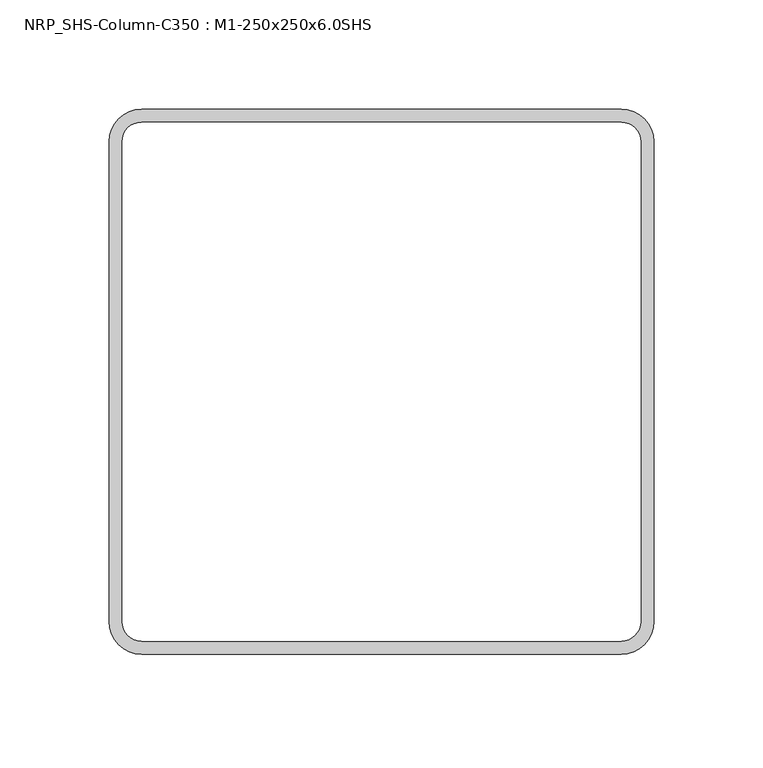
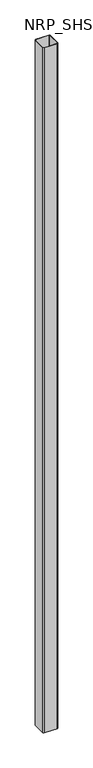
"""IFC4 building model written with IfcOpenShell, lengths in millimetres: column geometry, NRP_SHS-Column-C350 : M1-250x250x6.0SHS."""

import ifcopenshell
import ifcopenshell.guid

model = None  # the IFC model being written
_history = None  # IfcOwnerHistory: only IFC2X3 demands one
_inside = {}  # id of a spatial element -> (the spatial element, [elements in it])
_under = {}  # id of a project, library or spatial element -> (it, [spatial elements below it])
_declared = {}  # id of a project -> (the project, [libraries it declares])
_typed = {}  # id of a type object -> (the type object, [elements of that type])
_made_of = {}  # id of a material, layer set ... -> (it, [elements and type objects made of it])


def new_model(schema):
    """Start an empty IFC model of exactly this schema.

    Asked for "IFC4X3", IfcOpenShell would pick the latest addendum, in which some entities
    have other attributes; the version numbers below select the first issue.
    IFC2X3 requires an IfcOwnerHistory on every rooted entity: one is made here for all.
    """
    global model, _history
    if schema == "IFC4X3":
        model = ifcopenshell.file(schema_version=(4, 3, 0, 0))
    else:
        model = ifcopenshell.file(schema=schema)
    _inside.clear()
    _under.clear()
    _declared.clear()
    _typed.clear()
    _made_of.clear()
    _history = None
    if model.schema == "IFC2X3":
        org = make("IfcOrganization", Name="unknown")
        user = make(
            "IfcPersonAndOrganization",
            ThePerson=make("IfcPerson", FamilyName="unknown"),
            TheOrganization=org,
        )
        app = make(
            "IfcApplication",
            ApplicationDeveloper=org,
            Version="unknown",
            ApplicationFullName="unknown",
            ApplicationIdentifier="unknown",
        )
        _history = make(
            "IfcOwnerHistory",
            OwningUser=user,
            OwningApplication=app,
            ChangeAction="ADDED",
            CreationDate=0,
        )
    return model


def make(cls, **values):
    """One entity of the class cls with the attributes given. An attribute that is None is left unset."""
    return model.create_entity(
        cls, **{name: value for name, value in values.items() if value is not None}
    )


def rooted(cls, **values):
    """An entity with a GlobalId (a new one), such as an element, a storey or a relation."""
    return make(cls, GlobalId=ifcopenshell.guid.new(), OwnerHistory=_history, **values)


def si_unit(unit_type, name, prefix=None):
    """IfcSIUnit, for example si_unit("LENGTHUNIT", "METRE", prefix="MILLI")."""
    return make("IfcSIUnit", UnitType=unit_type, Prefix=prefix, Name=name)


def assignment(units):
    """IfcUnitAssignment: the units of a project."""
    return None if units is None else make("IfcUnitAssignment", Units=units)


def point(xyz):
    """IfcCartesianPoint."""
    return None if xyz is None else make("IfcCartesianPoint", Coordinates=xyz)


def direction(xyz):
    """IfcDirection."""
    return None if xyz is None else make("IfcDirection", DirectionRatios=xyz)


def frame(location, z_axis=None, x_axis=None):
    """IfcAxis2Placement3D, a coordinate frame: its origin and axes. An axis left out is left unset."""
    return make(
        "IfcAxis2Placement3D",
        Location=point(location),
        Axis=direction(z_axis),
        RefDirection=direction(x_axis),
    )


def frame_2d(location, x_axis=None):
    """IfcAxis2Placement2D, a coordinate frame in the plane: its origin and x axis."""
    return make(
        "IfcAxis2Placement2D", Location=point(location), RefDirection=direction(x_axis)
    )


def origin():
    """The frame at (0, 0, 0) with its axes left unset."""
    return frame((0.0, 0.0, 0.0))


def place(relative_to, where):
    """IfcLocalPlacement: puts the frame where relative to a parent placement (None: the world)."""
    return make(
        "IfcLocalPlacement", PlacementRelTo=relative_to, RelativePlacement=where
    )


def context(
    kind, dimensions, precision=None, world=None, true_north=None, identifier=None
):
    """IfcGeometricRepresentationContext, for example the 3D "Model" context."""
    return make(
        "IfcGeometricRepresentationContext",
        ContextIdentifier=identifier,
        ContextType=kind,
        CoordinateSpaceDimension=dimensions,
        Precision=precision,
        WorldCoordinateSystem=world,
        TrueNorth=true_north,
    )


def project(units=None, contexts=None):
    """IfcProject with its units and contexts."""
    return rooted(
        "IfcProject",
        Name="project",
        RepresentationContexts=contexts,
        UnitsInContext=assignment(units),
    )


def spatial(cls, under=None, at=None, **own):
    """A site, building, storey or space (cls), placed at a placement, below another one or the project."""
    s = rooted(cls, ObjectPlacement=at, **own)
    if under is not None:
        _under.setdefault(under.id(), (under, []))[1].append(s)
    return s


def polyline(points):
    """IfcPolyline through the points."""
    return make("IfcPolyline", Points=[point(p) for p in points])


def circle_curve(where, radius):
    """IfcCircle in the frame where."""
    return make("IfcCircle", Position=where, Radius=radius)


def trimmed(basis, trim1, trim2, sense, master):
    """IfcTrimmedCurve: the piece of a basis curve between two trims."""
    return make(
        "IfcTrimmedCurve",
        BasisCurve=basis,
        Trim1=trim1,
        Trim2=trim2,
        SenseAgreement=sense,
        MasterRepresentation=master,
    )


def segment(curve, same_sense, transition):
    """IfcCompositeCurveSegment."""
    return make(
        "IfcCompositeCurveSegment",
        Transition=transition,
        SameSense=same_sense,
        ParentCurve=curve,
    )


def composite_curve(segments, self_intersect=None):
    """IfcCompositeCurve: segments joined end to end."""
    return make("IfcCompositeCurve", Segments=segments, SelfIntersect=self_intersect)


def outline(outer, holes=None, kind="AREA"):
    """IfcArbitraryClosedProfileDef: a profile drawn as a closed curve; with holes, ...WithVoids."""
    if holes is None:
        return make("IfcArbitraryClosedProfileDef", ProfileType=kind, OuterCurve=outer)
    return make(
        "IfcArbitraryProfileDefWithVoids",
        ProfileType=kind,
        OuterCurve=outer,
        InnerCurves=holes,
    )


def extrude(swept, where, along, depth):
    """IfcExtrudedAreaSolid: the profile swept, set in the frame where, extruded along a direction by depth."""
    return make(
        "IfcExtrudedAreaSolid",
        SweptArea=swept,
        Position=where,
        ExtrudedDirection=direction(along),
        Depth=depth,
    )


def shape(context_of_items, identifier, shape_type, items):
    """IfcShapeRepresentation: the items that make up one representation, for example the "Body"."""
    return make(
        "IfcShapeRepresentation",
        ContextOfItems=context_of_items,
        RepresentationIdentifier=identifier,
        RepresentationType=shape_type,
        Items=items,
    )


def source(mapping_origin, context_of_items, identifier, shape_type, items):
    """IfcRepresentationMap: a shape defined once, which mapped items show again and again."""
    return make(
        "IfcRepresentationMap",
        MappingOrigin=mapping_origin,
        MappedRepresentation=shape(context_of_items, identifier, shape_type, items),
    )


def transform(
    local_origin,
    x_axis=None,
    y_axis=None,
    z_axis=None,
    scale=None,
    scale2=None,
    scale3=None,
    uniform=True,
):
    """IfcCartesianTransformationOperator3D, or its non-uniform kind. x_axis, y_axis, z_axis: its Axis1, 2, 3."""
    if uniform:
        return make(
            "IfcCartesianTransformationOperator3D",
            Axis1=direction(x_axis),
            Axis2=direction(y_axis),
            LocalOrigin=point(local_origin),
            Scale=scale,
            Axis3=direction(z_axis),
        )
    return make(
        "IfcCartesianTransformationOperator3DnonUniform",
        Axis1=direction(x_axis),
        Axis2=direction(y_axis),
        LocalOrigin=point(local_origin),
        Scale=scale,
        Axis3=direction(z_axis),
        Scale2=scale2,
        Scale3=scale3,
    )


def mapped(mapping_source, mapping_target):
    """IfcMappedItem: shows the shape of a source again, moved by a transform."""
    return make(
        "IfcMappedItem", MappingSource=mapping_source, MappingTarget=mapping_target
    )


def made_of(thing, what):
    """Note that an element or type object is made of a material, layer set ...; save() writes the relation."""
    if what is not None:
        _made_of.setdefault(what.id(), (what, []))[1].append(thing)
    return thing


def element(
    cls,
    number,
    at=None,
    inside=None,
    cuts=None,
    type_object=None,
    material=None,
    context=None,
    identifier="Body",
    shape_type=None,
    held_by="IfcProductDefinitionShape",
    body=None,
    shapes=None,
    **own,
):
    """One element of the class cls, such as IfcWall. Its Tag is "e" and its number.

    at: its placement. inside: the storey or other place that contains it. cuts: it is an
    opening in that element (IfcRelVoidsElement). A single representation is given by context,
    identifier, shape_type and body (its items); several are given by shapes. held_by: the class
    of the entity that holds the representations. save() writes the other relations.
    """
    e = rooted(cls, Tag="e%d" % number, ObjectPlacement=at, **own)
    if body is not None:
        shapes = [shape(context, identifier, shape_type, body)]
    if shapes is not None:
        e.Representation = make(held_by, Representations=shapes)
    if inside is not None:
        _inside.setdefault(inside.id(), (inside, []))[1].append(e)
    if cuts is not None:
        rooted(
            "IfcRelVoidsElement", RelatingBuildingElement=cuts, RelatedOpeningElement=e
        )
    if type_object is not None:
        _typed.setdefault(type_object.id(), (type_object, []))[1].append(e)
    return made_of(e, material)


def aggregate(whole, parts):
    """IfcRelAggregates: a whole, such as a stair, and the parts it consists of."""
    return rooted("IfcRelAggregates", RelatingObject=whole, RelatedObjects=parts)


def save(model, path):
    """Write the relations noted so far, then the file.

    IfcRelAggregates (storeys below a building ...), IfcRelContainedInSpatialStructure (elements
    in a storey), IfcRelDefinesByType, IfcRelAssociatesMaterial and IfcRelDeclares: one each for
    every whole, place, type object, material and project.
    """
    for whole, parts in _under.values():
        aggregate(whole, parts)
    for where, things in _inside.values():
        rooted(
            "IfcRelContainedInSpatialStructure",
            RelatedElements=things,
            RelatingStructure=where,
        )
    for kind, things in _typed.values():
        rooted("IfcRelDefinesByType", RelatedObjects=things, RelatingType=kind)
    for what, things in _made_of.values():
        rooted("IfcRelAssociatesMaterial", RelatedObjects=things, RelatingMaterial=what)
    for by, libraries in _declared.values():
        rooted("IfcRelDeclares", RelatingContext=by, RelatedDefinitions=libraries)
    model.write(path)


def nrp_shs_column_c350_m1_250x250x6_0shs_d7c14257(model_context):
    return source(origin(), model_context, "Body", "SweptSolid", [
        extrude(outline(composite_curve([segment(trimmed(circle_curve(frame_2d((110.0, 110.0)), 15.0), [point((110.0, 125.0))], [point((125.0, 110.0))], False, "CARTESIAN"), True, "CONTINUOUS"), segment(polyline([(125.0, 110.0), (125.0, -110.0)]), True, "CONTINUOUS"), segment(trimmed(circle_curve(frame_2d((110.0, -110.0)), 15.0), [point((125.0, -110.0))], [point((110.0, -125.0))], False, "CARTESIAN"), True, "CONTINUOUS"), segment(polyline([(110.0, -125.0), (-110.0, -125.0)]), True, "CONTINUOUS"), segment(trimmed(circle_curve(frame_2d((-110.0, -110.0)), 15.0), [point((-110.0, -125.0))], [point((-125.0, -110.0))], False, "CARTESIAN"), True, "CONTINUOUS"), segment(polyline([(-125.0, -110.0), (-125.0, 110.0)]), True, "CONTINUOUS"), segment(trimmed(circle_curve(frame_2d((-110.0, 110.0)), 15.0), [point((-125.0, 110.0))], [point((-110.0, 125.0))], False, "CARTESIAN"), True, "CONTINUOUS"), segment(polyline([(-110.0, 125.0), (110.0, 125.0)]), True, "CONTINUOUS")], self_intersect=False), holes=[composite_curve([segment(polyline([(110.0, 119.0), (-110.0, 119.0)]), True, "CONTINUOUS"), segment(trimmed(circle_curve(frame_2d((-110.0, 110.0)), 9.0), [point((-110.0, 119.0))], [point((-119.0, 110.0))], True, "CARTESIAN"), True, "CONTINUOUS"), segment(polyline([(-119.0, 110.0), (-119.0, -110.0)]), True, "CONTINUOUS"), segment(trimmed(circle_curve(frame_2d((-110.0, -110.0)), 9.0), [point((-119.0, -110.0))], [point((-110.0, -119.0))], True, "CARTESIAN"), True, "CONTINUOUS"), segment(polyline([(-110.0, -119.0), (110.0, -119.0)]), True, "CONTINUOUS"), segment(trimmed(circle_curve(frame_2d((110.0, -110.0)), 9.0), [point((110.0, -119.0))], [point((119.0, -110.0))], True, "CARTESIAN"), True, "CONTINUOUS"), segment(polyline([(119.0, -110.0), (119.0, 110.0)]), True, "CONTINUOUS"), segment(trimmed(circle_curve(frame_2d((110.0, 110.0)), 9.0), [point((119.0, 110.0))], [point((110.0, 119.0))], True, "CARTESIAN"), True, "CONTINUOUS")], self_intersect=False)]), frame((0.0, 0.0, 45550.0), z_axis=(0.0, 0.0, 1.0), x_axis=(1.0, 0.0, 0.0)), (0.0, 0.0, 1.0), 12357.7848989),
    ])


if __name__ == "__main__":
    model = new_model("IFC4")
    model_context = context("Model", 3, world=origin())
    ifc_project = project(units=[si_unit("LENGTHUNIT", "METRE", prefix="MILLI")], contexts=[model_context])
    site = spatial("IfcSite", under=ifc_project)
    building = spatial("IfcBuilding", under=site)
    placement = place(None, origin())
    nrp_shs_column_c350_m1_250x250x6_0shs_shape = nrp_shs_column_c350_m1_250x250x6_0shs_d7c14257(model_context)
    element("IfcColumn", 1, ObjectType="NRP_SHS-Column-C350 : M1-250x250x6.0SHS", at=placement, inside=building, context=model_context, shape_type="MappedRepresentation", body=[
        mapped(nrp_shs_column_c350_m1_250x250x6_0shs_shape, transform((0.0, 0.0, 0.0), x_axis=(1.0, 0.0, 0.0), y_axis=(0.0, 1.0, 0.0), z_axis=(0.0, 0.0, 1.0))),
    ])
    save(model, "model.ifc")
